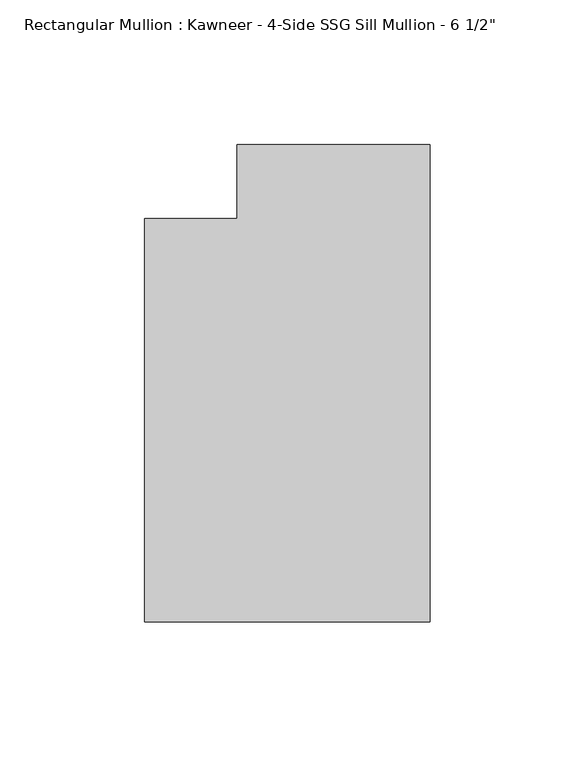
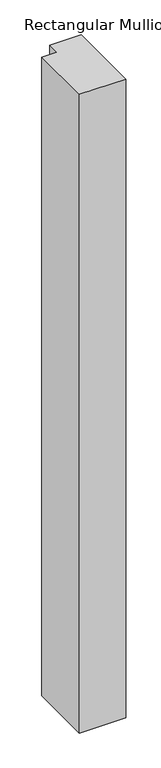
"""IFC4 building model written with IfcOpenShell, lengths in millimetres: member geometry."""

from ifc_helpers import new_model, si_unit, frame, origin, place, context, project, spatial, polyline, outline, extrude, source, transform, mapped, element, save


def member_ada0cdf1(model_context):
    return source(origin(), model_context, "Body", "SweptSolid", [
        extrude(outline(polyline([(0.0, -151.892), (-98.425, -151.892), (-98.425, -12.7), (-66.6751132, -12.7), (-66.6751132, 12.7), (0.0, 12.7), (0.0, -151.892)])), frame((0.0, 0.0, -1440.1582482), z_axis=(0.0, 0.0, 1.0), x_axis=(1.0, 0.0, 0.0)), (0.0, 0.0, 1.0), 1440.1582482),
    ])


if __name__ == "__main__":
    model = new_model("IFC4")
    model_context = context("Model", 3, world=origin())
    ifc_project = project(units=[si_unit("LENGTHUNIT", "METRE", prefix="MILLI")], contexts=[model_context])
    site = spatial("IfcSite", under=ifc_project)
    building = spatial("IfcBuilding", under=site)
    placement = place(None, origin())
    member_shape = member_ada0cdf1(model_context)
    element("IfcMember", 1, ObjectType="Rectangular Mullion : Kawneer - 4-Side SSG Sill Mullion - 6 1/2\"", at=placement, inside=building, context=model_context, shape_type="MappedRepresentation", body=[
        mapped(member_shape, transform((0.0, 0.0, 0.0), x_axis=(1.0, 0.0, 0.0), y_axis=(0.0, 1.0, 0.0), z_axis=(0.0, 0.0, 1.0))),
    ])
    save(model, "model.ifc")
